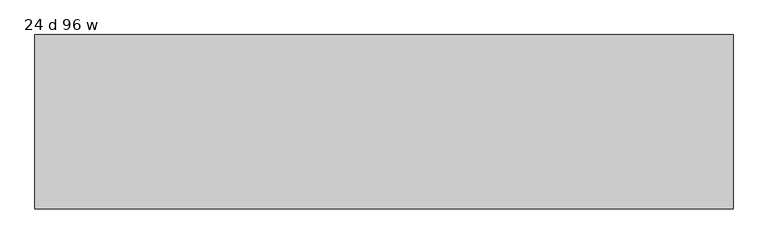
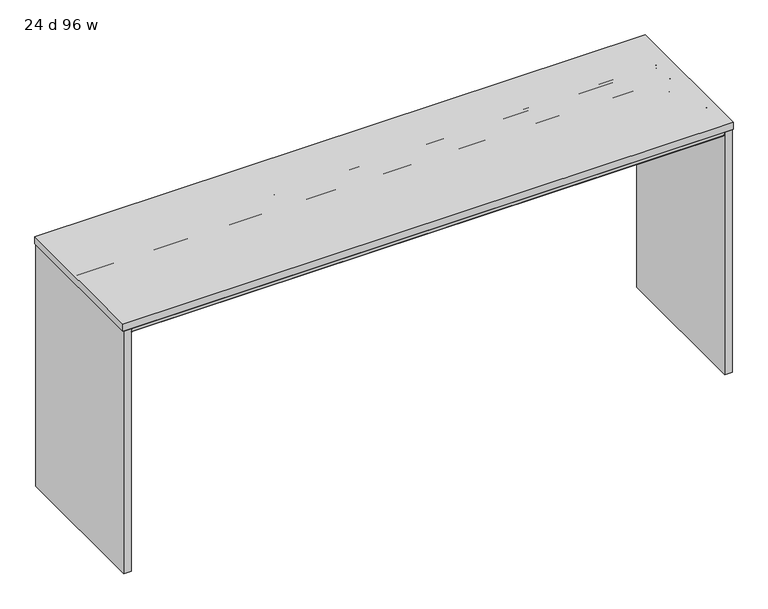
"""IFC4 building model written with IfcOpenShell, lengths in millimetres: furniture geometry, 24 d 96 w."""

from ifc_helpers import new_model, si_unit, frame, origin, place, context, project, spatial, polyline, circle_curve, outline, extrude, source, transform, mapped, element, save
from ifc_brep_helpers import plane_surface, cylinder_surface, revolved_surface, advanced_brep


def furniture_24_d_96_w_db0abe5f(model_context):
    return source(origin(), model_context, "Body", "SolidModel", [
        advanced_brep(
        [(-1185.1632694, -212.0387871, 1035.7451368), (-1185.1632694, -212.0387871, 1037.2344355), (-1185.1632694, -4.8775792, 1037.2344355), (-1185.1632694, -4.8775792, 1035.7451368), (-1185.1632694, -68.948793, 1035.7451368), (-1185.1632694, -69.7387884, 1034.9551414), (-1185.1632694, -69.7387884, 981.8251949), (-1185.1632694, -71.7487901, 979.8151932), (-1185.1632694, -142.7288099, 979.8151932), (-1185.1632694, -144.7387889, 981.8251722), (-1185.1632694, -144.7387889, 1034.9551324), (-1185.1632694, -145.5287934, 1035.7451368), (-1185.1632694, -148.7440004, 1035.7451368), (-1185.1632694, -148.7440004, 1034.8551476), (-1185.1632694, -164.751863, 1034.8551476), (-1185.1632694, -165.7440074, 1033.8630031), (-1185.1632694, -165.7440074, 1022.7701294), (-1185.1632694, -167.4239921, 1021.0901447), (-1185.1632694, -301.064018, 1021.0901447), (-1185.1632694, -302.7440027, 1022.7701294), (-1185.1632694, -302.7440027, 1035.2851358), (-1185.1632694, -300.7947031, 1037.2344355), (-1185.1632694, -282.7440062, 1037.2344355), (-1185.1632694, -282.7440062, 1035.7451368), (1185.1632694, -144.7387889, 1034.9551324), (1185.1632694, -144.7387889, 981.8251722), (1185.1632694, -142.7288099, 979.8151932), (1185.1632694, -71.7487901, 979.8151932), (1185.1632694, -69.7387884, 981.8251949), (1185.1632694, -69.7387884, 1034.9551414), (1185.1632694, -68.948793, 1035.7451368), (1185.1632694, -4.8775792, 1035.7451368), (1185.1632694, -4.8775792, 1037.2344355), (1185.1632694, -144.7387889, 1037.2344355), (1209.0077008, -145.5287934, 1035.7451368), (1209.0077008, -212.0387871, 1035.7451368), (1185.1632694, -212.0387871, 1035.7451368), (1185.1632694, -148.7440004, 1035.7451368), (1185.1632694, -145.5287934, 1035.7451368), (-1132.8233975, -144.7387889, 1034.9551324), (-1108.9789661, -144.7387889, 1034.9551324), (-1152.7087931, -4.8775792, 1035.7451368), (-1147.0323695, -7.2288302, 1035.7451368), (-1118.2978826, -35.9633064, 1035.7451368), (-1100.3373737, -43.4027908, 1035.7451368), (1100.3373737, -43.4027908, 1035.7451368), (1118.2978826, -35.9633064, 1035.7451368), (1147.0323695, -7.2288302, 1035.7451368), (1152.7087931, -4.8775792, 1035.7451368), (1209.0077008, -212.0387871, 1037.2344355), (1209.0077008, -144.7387889, 1037.2344355), (1152.7087931, -4.8775792, 1037.2344355), (1147.0323695, -7.2288302, 1037.2344355), (1118.2978826, -35.9633064, 1037.2344355), (1100.3373737, -43.4027908, 1037.2344355), (-1100.3373737, -43.4027908, 1037.2344355), (-1118.2978826, -35.9633064, 1037.2344355), (-1147.0323695, -7.2288302, 1037.2344355), (-1152.7087931, -4.8775792, 1037.2344355), (1209.0077008, -144.7387889, 1034.9551324), (1185.1632694, -167.4239921, 1021.0901447), (1185.1632694, -165.7440074, 1022.7701294), (1185.1632694, -165.7440074, 1033.8630031), (1185.1632694, -164.751863, 1034.8551476), (1185.1632694, -148.7440004, 1034.8551476), (1185.1632694, -282.7440062, 1035.7451368), (1185.1632694, -282.7440062, 1037.2344355), (1185.1632694, -300.7947031, 1037.2344355), (1185.1632694, -302.7440027, 1035.2851358), (1185.1632694, -302.7440027, 1022.7701294), (1185.1632694, -301.064018, 1021.0901447)],
        [
            (0, 1),
            (1, 2),
            (2, 3),
            (3, 4),
            (4, 5, circle_curve(frame((-1185.1632694, -68.948793, 1034.9551414), z_axis=(1.0, 0.0, 0.0), x_axis=(0.0, 1.0, 0.0)), 0.7899954)),
            (5, 6),
            (6, 7, circle_curve(frame((-1185.1632694, -71.7487901, 981.8251949), z_axis=(-1.0, 0.0, 0.0), x_axis=(0.0, 1.0, 0.0)), 2.0100018)),
            (7, 8),
            (8, 9, circle_curve(frame((-1185.1632694, -142.7288099, 981.8251722), z_axis=(-1.0, 0.0, 0.0), x_axis=(0.0, 1.0, 0.0)), 2.0099791)),
            (9, 10),
            (10, 11, circle_curve(frame((-1185.1632694, -145.5287934, 1034.9551324), z_axis=(1.0, 0.0, 0.0), x_axis=(0.0, 1.0, 0.0)), 0.7900045)),
            (11, 12),
            (12, 13),
            (13, 14),
            (14, 15, circle_curve(frame((-1185.1632694, -164.751863, 1033.8630031), z_axis=(1.0, 0.0, 0.0), x_axis=(0.0, 1.0, 0.0)), 0.9921444)),
            (15, 16),
            (16, 17, circle_curve(frame((-1185.1632694, -167.4239921, 1022.7701294), z_axis=(-1.0, 0.0, 0.0), x_axis=(0.0, 1.0, 0.0)), 1.6799847)),
            (17, 18),
            (18, 19, circle_curve(frame((-1185.1632694, -301.064018, 1022.7701294), z_axis=(-1.0, 0.0, 0.0), x_axis=(0.0, 1.0, 0.0)), 1.6799847)),
            (19, 20),
            (20, 21, circle_curve(frame((-1185.1632694, -300.7947031, 1035.2851358), z_axis=(-1.0, 0.0, 0.0), x_axis=(0.0, 1.0, 0.0)), 1.9492996)),
            (21, 22),
            (22, 23),
            (23, 0),
            (24, 25),
            (25, 26, circle_curve(frame((1185.1632694, -142.7288099, 981.8251722), z_axis=(1.0, 0.0, 0.0), x_axis=(0.0, 1.0, 0.0)), 2.0099791)),
            (26, 27),
            (27, 28, circle_curve(frame((1185.1632694, -71.7487901, 981.8251949), z_axis=(1.0, 0.0, 0.0), x_axis=(0.0, 1.0, 0.0)), 2.0100018)),
            (28, 29),
            (29, 30, circle_curve(frame((1185.1632694, -68.948793, 1034.9551414), z_axis=(-1.0, 0.0, 0.0), x_axis=(0.0, 1.0, 0.0)), 0.7899954)),
            (30, 31),
            (31, 32),
            (32, 33),
            (33, 24),
            (34, 35),
            (35, 36),
            (36, 37),
            (37, 12),
            (11, 38),
            (38, 34),
            (10, 39),
            (39, 40),
            (40, 24),
            (24, 38, circle_curve(frame((1185.1632694, -145.5287934, 1034.9551324), z_axis=(1.0, 0.0, 0.0), x_axis=(0.0, 1.0, 0.0)), 0.7900045)),
            (9, 25),
            (8, 26),
            (7, 27),
            (6, 28),
            (5, 29),
            (4, 30),
            (3, 41),
            (41, 42, circle_curve(frame((-1152.7087931, -12.905256, 1035.7451368), z_axis=(0.0, 0.0, -1.0), x_axis=(-1.0, 0.0, 0.0)), 8.0276768)),
            (42, 43),
            (43, 44, circle_curve(frame((-1100.3373737, -18.0027908, 1035.7451368), z_axis=(0.0, 0.0, 1.0), x_axis=(-1.0, 0.0, 0.0)), 25.4)),
            (44, 45),
            (45, 46, circle_curve(frame((1100.3373737, -18.0027908, 1035.7451368), z_axis=(0.0, 0.0, 1.0), x_axis=(-1.0, 0.0, 0.0)), 25.4)),
            (46, 47),
            (47, 48, circle_curve(frame((1152.7087931, -12.905256, 1035.7451368), z_axis=(0.0, 0.0, -1.0), x_axis=(-1.0, 0.0, 0.0)), 8.0276768)),
            (48, 31),
            (1, 49),
            (49, 50),
            (50, 33),
            (32, 51),
            (51, 52, circle_curve(frame((1152.7087931, -12.905256, 1037.2344355), z_axis=(0.0, 0.0, 1.0), x_axis=(-1.0, 0.0, 0.0)), 8.0276768)),
            (52, 53),
            (53, 54, circle_curve(frame((1100.3373737, -18.0027908, 1037.2344355), z_axis=(0.0, 0.0, -1.0), x_axis=(-1.0, 0.0, 0.0)), 25.4)),
            (54, 55),
            (55, 56, circle_curve(frame((-1100.3373737, -18.0027908, 1037.2344355), z_axis=(0.0, 0.0, -1.0), x_axis=(-1.0, 0.0, 0.0)), 25.4)),
            (56, 57),
            (57, 58, circle_curve(frame((-1152.7087931, -12.905256, 1037.2344355), z_axis=(0.0, 0.0, 1.0), x_axis=(-1.0, 0.0, 0.0)), 8.0276768)),
            (58, 2),
            (0, 36),
            (35, 49),
            (34, 59, circle_curve(frame((1209.0077008, -145.5287934, 1034.9551324), z_axis=(-1.0, 0.0, 0.0), x_axis=(0.0, 0.0, 1.0)), 0.7900045)),
            (59, 50),
            (24, 59),
            (60, 61, circle_curve(frame((1185.1632694, -167.4239921, 1022.7701294), z_axis=(1.0, 0.0, 0.0), x_axis=(0.0, 1.0, 0.0)), 1.6799847)),
            (61, 62),
            (62, 63, circle_curve(frame((1185.1632694, -164.751863, 1033.8630031), z_axis=(-1.0, 0.0, 0.0), x_axis=(0.0, 1.0, 0.0)), 0.9921444)),
            (63, 64),
            (64, 37),
            (36, 65),
            (65, 66),
            (66, 67),
            (67, 68, circle_curve(frame((1185.1632694, -300.7947031, 1035.2851358), z_axis=(1.0, 0.0, 0.0), x_axis=(0.0, 1.0, 0.0)), 1.9492996)),
            (68, 69),
            (69, 70, circle_curve(frame((1185.1632694, -301.064018, 1022.7701294), z_axis=(1.0, 0.0, 0.0), x_axis=(0.0, 1.0, 0.0)), 1.6799847)),
            (70, 60),
            (16, 61),
            (60, 17),
            (15, 62),
            (14, 63),
            (13, 64),
            (23, 65),
            (22, 66),
            (21, 67),
            (20, 68),
            (19, 69),
            (18, 70),
            (58, 41),
            (57, 42),
            (56, 43),
            (55, 44),
            (54, 45),
            (53, 46),
            (52, 47),
            (51, 48),
        ],
        [
            plane_surface(frame((-1185.1632694, -107.2388, 1037.2344355), z_axis=(-1.0, 0.0, 0.0), x_axis=(0.0, 0.0, 1.0))),
            plane_surface(frame((1185.1632694, -107.2388, 1037.2344355), z_axis=(1.0, 0.0, 0.0), x_axis=(0.0, 0.0, 1.0))),
            plane_surface(frame((-1185.1632694, -145.5287934, 1035.7451368), z_axis=(0.0, 0.0, -1.0), x_axis=(1.0, 0.0, 0.0))),
            revolved_surface(polyline([(1185.1632694, -144.7387889, 1034.9551324), (-1185.1632694, -144.7387889, 1034.9551324)]), (-1185.1632694, -145.5287934, 1034.9551324), (1.0, 0.0, 0.0)),
            plane_surface(frame((-1185.1632694, -144.7387889, 981.8251722), z_axis=(0.0, -1.0, 0.0), x_axis=(1.0, 0.0, 0.0))),
            cylinder_surface(frame((-1185.1632694, -142.7288099, 981.8251722), z_axis=(-1.0, 0.0, 0.0), x_axis=(0.0, 1.0, 0.0)), 2.0099791),
            plane_surface(frame((-1185.1632694, -71.7487901, 979.8151932), z_axis=(0.0, 0.0, -1.0), x_axis=(1.0, 0.0, 0.0))),
            cylinder_surface(frame((-1185.1632694, -71.7487901, 981.8251949), z_axis=(-1.0, 0.0, 0.0), x_axis=(0.0, 1.0, 0.0)), 2.0100018),
            plane_surface(frame((-1185.1632694, -69.7387884, 1034.9551414), z_axis=(0.0, 1.0, 0.0), x_axis=(1.0, 0.0, 0.0))),
            revolved_surface(polyline([(1185.1632694, -68.1587976, 1034.9551414), (-1185.1632694, -68.1587976, 1034.9551414)]), (-1185.1632694, -68.948793, 1034.9551414), (1.0, 0.0, 0.0)),
            plane_surface(frame((-1185.1632694, -2.4387896, 1035.7451368), z_axis=(0.0, 0.0, -1.0), x_axis=(1.0, 0.0, 0.0))),
            plane_surface(frame((-1185.1632694, -212.0387871, 1037.2344355), z_axis=(0.0, 0.0, 1.0), x_axis=(1.0, 0.0, 0.0))),
            plane_surface(frame((-1185.1632694, -212.0387871, 1035.7451368), z_axis=(0.0, -1.0, 0.0), x_axis=(1.0, 0.0, 0.0))),
            plane_surface(frame((1209.0077008, -212.0387871, 1037.2344355), z_axis=(1.0, 0.0, 0.0), x_axis=(0.0, 0.0, -1.0))),
            revolved_surface(polyline([(1185.1632694, -145.5287934, 1035.7451368999998), (1209.0077008, -145.5287934, 1035.7451368999998)]), (1185.1632694, -145.5287934, 1034.9551324), (-1.0, 0.0, 0.0)),
            plane_surface(frame((1209.0077008, -144.7387889, 1034.9551324), z_axis=(0.0, 1.0, 0.0), x_axis=(-1.0, 0.0, 0.0))),
            plane_surface(frame((1185.1632694, -304.8, 1037.2344355), z_axis=(1.0, 0.0, 0.0), x_axis=(0.0, 0.0, 1.0))),
            cylinder_surface(frame((-1185.1632694, -167.4239921, 1022.7701294), z_axis=(-1.0, 0.0, 0.0), x_axis=(0.0, 1.0, 0.0)), 1.6799847),
            plane_surface(frame((-1185.1632694, -165.7440074, 1033.8630031), z_axis=(0.0, 1.0, 0.0), x_axis=(1.0, 0.0, 0.0))),
            revolved_surface(polyline([(1185.1632694, -163.75971859999999, 1033.8630031), (-1185.1632694, -163.75971859999999, 1033.8630031)]), (-1185.1632694, -164.751863, 1033.8630031), (1.0, 0.0, 0.0)),
            plane_surface(frame((-1185.1632694, -148.7440004, 1034.8551476), z_axis=(0.0, 0.0, -1.0), x_axis=(1.0, 0.0, 0.0))),
            plane_surface(frame((-1185.1632694, -148.7440004, 1035.7451368), z_axis=(0.0, 1.0, 0.0), x_axis=(1.0, 0.0, 0.0))),
            plane_surface(frame((-1185.1632694, -282.7440062, 1035.7451368), z_axis=(0.0, 0.0, 1.0), x_axis=(1.0, 0.0, 0.0))),
            plane_surface(frame((-1185.1632694, -282.7440062, 1037.2344355), z_axis=(0.0, 1.0, 0.0), x_axis=(1.0, 0.0, 0.0))),
            plane_surface(frame((-1185.1632694, -300.7947031, 1037.2344355), z_axis=(0.0, 0.0, 1.0), x_axis=(1.0, 0.0, 0.0))),
            cylinder_surface(frame((-1185.1632694, -300.7947031, 1035.2851358), z_axis=(-1.0, 0.0, 0.0), x_axis=(0.0, 1.0, 0.0)), 1.9492996),
            plane_surface(frame((-1185.1632694, -302.7440027, 1022.7701294), z_axis=(0.0, -1.0, 0.0), x_axis=(1.0, 0.0, 0.0))),
            cylinder_surface(frame((-1185.1632694, -301.064018, 1022.7701294), z_axis=(-1.0, 0.0, 0.0), x_axis=(0.0, 1.0, 0.0)), 1.6799847),
            plane_surface(frame((-1185.1632694, -167.4239921, 1021.0901447), z_axis=(0.0, 0.0, -1.0), x_axis=(1.0, 0.0, 0.0))),
            plane_surface(frame((-1185.1632694, -4.8775792, 1037.2344355), z_axis=(0.0, 1.0, 0.0), x_axis=(0.0, 0.0, -1.0))),
            cylinder_surface(frame((-1152.7087931, -12.905256, 1021.0901447), z_axis=(0.0, 0.0, -1.0), x_axis=(-1.0, 0.0, 0.0)), 8.0276768),
            plane_surface(frame((-1147.0323695, -7.2288302, 1037.2344355), z_axis=(0.7071066495450254, 0.707106912828045, 0.0), x_axis=(0.0, 0.0, -1.0))),
            revolved_surface(polyline([(-1125.7373737, -18.0027908, 1037.2344355), (-1125.7373737, -18.0027908, 1035.7451368)]), (-1100.3373737, -18.0027908, 1021.0901447), (0.0, 0.0, 1.0)),
            plane_surface(frame((-1100.3373737, -43.4027908, 1037.2344355), z_axis=(0.0, 1.0, 0.0), x_axis=(0.0, 0.0, -1.0))),
            revolved_surface(polyline([(1074.9373736999999, -18.0027908, 1037.2344355), (1074.9373736999999, -18.0027908, 1035.7451368)]), (1100.3373737, -18.0027908, 1021.0901447), (0.0, 0.0, 1.0)),
            plane_surface(frame((1118.2978826, -35.9633064, 1037.2344355), z_axis=(-0.7071066495450172, 0.7071069128280535, 0.0), x_axis=(0.0, 0.0, -1.0))),
            cylinder_surface(frame((1152.7087931, -12.905256, 1021.0901447), z_axis=(0.0, 0.0, -1.0), x_axis=(-1.0, 0.0, 0.0)), 8.0276768),
            plane_surface(frame((1152.7087931, -4.8775792, 1037.2344355), z_axis=(0.0, 1.0, 0.0), x_axis=(0.0, 0.0, -1.0))),
        ],
        [
            (0, [[1, 2, 3, 4, 5, 6, 7, 8, 9, 10, 11, 12, 13, 14, 15, 16, 17, 18, 19, 20, 21, 22, 23, 24]]),
            (1, [[25, 26, 27, 28, 29, 30, 31, 32, 33, 34]]),
            (2, [[35, 36, 37, 38, -12, 39, 40]]),
            (3, [[-11, 41, 42, 43, 44, -39]]),
            (4, [[-10, 45, -25, -43, -42, -41]]),
            (5, [[-9, 46, -26, -45]]),
            (6, [[-8, 47, -27, -46]]),
            (7, [[-7, 48, -28, -47]]),
            (8, [[-6, 49, -29, -48]]),
            (9, [[-5, 50, -30, -49]]),
            (10, [[-50, -4, 51, 52, 53, 54, 55, 56, 57, 58, 59, -31]]),
            (11, [[-2, 60, 61, 62, -33, 63, 64, 65, 66, 67, 68, 69, 70, 71]]),
            (12, [[-1, 72, -36, 73, -60]]),
            (13, [[-73, -35, 74, 75, -61]]),
            (14, [[-74, -40, -44, 76]]),
            (15, [[-75, -76, -34, -62]]),
            (16, [[77, 78, 79, 80, 81, -37, 82, 83, 84, 85, 86, 87, 88]]),
            (17, [[-17, 89, -77, 90]]),
            (18, [[-16, 91, -78, -89]]),
            (19, [[-15, 92, -79, -91]]),
            (20, [[-14, 93, -80, -92]]),
            (21, [[-13, -38, -81, -93]]),
            (22, [[94, -82, -72, -24]]),
            (23, [[-23, 95, -83, -94]]),
            (24, [[-22, 96, -84, -95]]),
            (25, [[-21, 97, -85, -96]]),
            (26, [[-20, 98, -86, -97]]),
            (27, [[-19, 99, -87, -98]]),
            (28, [[-18, -90, -88, -99]]),
            (29, [[100, -51, -3, -71]]),
            (30, [[-100, -70, 101, -52]]),
            (31, [[-101, -69, 102, -53]]),
            (32, [[-102, -68, 103, -54]]),
            (33, [[-103, -67, 104, -55]]),
            (34, [[-104, -66, 105, -56]]),
            (35, [[-105, -65, 106, -57]]),
            (36, [[-106, -64, 107, -58]]),
            (37, [[-107, -63, -32, -59]]),
        ],
    ),
        advanced_brep(
        [(-1185.1632694, 145.5287934, 1035.7451368), (-1185.1632694, 144.7387889, 1034.9551324), (-1185.1632694, 144.7387889, 981.8251722), (-1185.1632694, 142.7288099, 979.8151932), (-1185.1632694, 71.7487901, 979.8151932), (-1185.1632694, 69.7387884, 981.8251949), (-1185.1632694, 69.7387884, 1034.9551414), (-1185.1632694, 68.948793, 1035.7451368), (-1185.1632694, 4.8775792, 1035.7451368), (-1185.1632694, 4.8775792, 1037.2344355), (-1185.1632694, 212.0387871, 1037.2344355), (-1185.1632694, 212.0387871, 1035.7451368), (-1185.1632694, 282.7440062, 1035.7451368), (-1185.1632694, 282.7440062, 1037.2344355), (-1185.1632694, 300.7947031, 1037.2344355), (-1185.1632694, 302.7440027, 1035.2851358), (-1185.1632694, 302.7440027, 1022.7701294), (-1185.1632694, 301.064018, 1021.0901447), (-1185.1632694, 167.4239921, 1021.0901447), (-1185.1632694, 165.7440074, 1022.7701294), (-1185.1632694, 165.7440074, 1033.8630031), (-1185.1632694, 164.751863, 1034.8551476), (-1185.1632694, 148.7440004, 1034.8551476), (-1185.1632694, 148.7440004, 1035.7451368), (1185.1632694, 68.948793, 1035.7451368), (1185.1632694, 69.7387884, 1034.9551414), (1185.1632694, 69.7387884, 981.8251949), (1185.1632694, 71.7487901, 979.8151932), (1185.1632694, 142.7288099, 979.8151932), (1185.1632694, 144.7387889, 981.8251722), (1185.1632694, 144.7387889, 1034.9551324), (1185.1632694, 144.7387889, 1037.2344355), (1185.1632694, 4.8775792, 1037.2344355), (1185.1632694, 4.8775792, 1035.7451368), (1209.0077008, 212.0387871, 1035.7451368), (1209.0077008, 145.5287934, 1035.7451368), (1185.1632694, 145.5287934, 1035.7451368), (1185.1632694, 148.7440004, 1035.7451368), (1185.1632694, 212.0387871, 1035.7451368), (-1108.9789661, 144.7387889, 1034.9551324), (-1132.8233975, 144.7387889, 1034.9551324), (1152.7087931, 4.8775792, 1035.7451368), (1147.0323695, 7.2288302, 1035.7451368), (1118.2978826, 35.9633064, 1035.7451368), (1100.3373737, 43.4027908, 1035.7451368), (-1100.3373737, 43.4027908, 1035.7451368), (-1118.2978826, 35.9633064, 1035.7451368), (-1147.0323695, 7.2288302, 1035.7451368), (-1152.7087931, 4.8775792, 1035.7451368), (-1152.7087931, 4.8775792, 1037.2344355), (-1147.0323695, 7.2288302, 1037.2344355), (-1118.2978826, 35.9633064, 1037.2344355), (-1100.3373737, 43.4027908, 1037.2344355), (1100.3373737, 43.4027908, 1037.2344355), (1118.2978826, 35.9633064, 1037.2344355), (1147.0323695, 7.2288302, 1037.2344355), (1152.7087931, 4.8775792, 1037.2344355), (1209.0077008, 144.7387889, 1037.2344355), (1209.0077008, 212.0387871, 1037.2344355), (1209.0077008, 144.7387889, 1034.9551324), (1185.1632694, 167.4239921, 1021.0901447), (1185.1632694, 301.064018, 1021.0901447), (1185.1632694, 302.7440027, 1022.7701294), (1185.1632694, 302.7440027, 1035.2851358), (1185.1632694, 300.7947031, 1037.2344355), (1185.1632694, 282.7440062, 1037.2344355), (1185.1632694, 282.7440062, 1035.7451368), (1185.1632694, 148.7440004, 1034.8551476), (1185.1632694, 164.751863, 1034.8551476), (1185.1632694, 165.7440074, 1033.8630031), (1185.1632694, 165.7440074, 1022.7701294)],
        [
            (0, 1, circle_curve(frame((-1185.1632694, 145.5287934, 1034.9551324), z_axis=(1.0, 0.0, 0.0), x_axis=(0.0, 1.0, 0.0)), 0.7900045)),
            (1, 2),
            (2, 3, circle_curve(frame((-1185.1632694, 142.7288099, 981.8251722), z_axis=(-1.0, 0.0, 0.0), x_axis=(0.0, 1.0, 0.0)), 2.0099791)),
            (3, 4),
            (4, 5, circle_curve(frame((-1185.1632694, 71.7487901, 981.8251949), z_axis=(-1.0, 0.0, 0.0), x_axis=(0.0, 1.0, 0.0)), 2.0100018)),
            (5, 6),
            (6, 7, circle_curve(frame((-1185.1632694, 68.948793, 1034.9551414), z_axis=(1.0, 0.0, 0.0), x_axis=(0.0, 1.0, 0.0)), 0.7899954)),
            (7, 8),
            (8, 9),
            (9, 10),
            (10, 11),
            (11, 12),
            (12, 13),
            (13, 14),
            (14, 15, circle_curve(frame((-1185.1632694, 300.7947031, 1035.2851358), z_axis=(-1.0, 0.0, 0.0), x_axis=(0.0, 1.0, 0.0)), 1.9492996)),
            (15, 16),
            (16, 17, circle_curve(frame((-1185.1632694, 301.064018, 1022.7701294), z_axis=(-1.0, 0.0, 0.0), x_axis=(0.0, 1.0, 0.0)), 1.6799847)),
            (17, 18),
            (18, 19, circle_curve(frame((-1185.1632694, 167.4239921, 1022.7701294), z_axis=(-1.0, 0.0, 0.0), x_axis=(0.0, 1.0, 0.0)), 1.6799847)),
            (19, 20),
            (20, 21, circle_curve(frame((-1185.1632694, 164.751863, 1033.8630031), z_axis=(1.0, 0.0, 0.0), x_axis=(0.0, 1.0, 0.0)), 0.9921444)),
            (21, 22),
            (22, 23),
            (23, 0),
            (24, 25, circle_curve(frame((1185.1632694, 68.948793, 1034.9551414), z_axis=(-1.0, 0.0, 0.0), x_axis=(0.0, 1.0, 0.0)), 0.7899954)),
            (25, 26),
            (26, 27, circle_curve(frame((1185.1632694, 71.7487901, 981.8251949), z_axis=(1.0, 0.0, 0.0), x_axis=(0.0, 1.0, 0.0)), 2.0100018)),
            (27, 28),
            (28, 29, circle_curve(frame((1185.1632694, 142.7288099, 981.8251722), z_axis=(1.0, 0.0, 0.0), x_axis=(0.0, 1.0, 0.0)), 2.0099791)),
            (29, 30),
            (30, 31),
            (31, 32),
            (32, 33),
            (33, 24),
            (34, 35),
            (35, 36),
            (36, 0),
            (23, 37),
            (37, 38),
            (38, 34),
            (36, 30, circle_curve(frame((1185.1632694, 145.5287934, 1034.9551324), z_axis=(1.0, 0.0, 0.0), x_axis=(0.0, 1.0, 0.0)), 0.7900045)),
            (30, 39),
            (39, 40),
            (40, 1),
            (29, 2),
            (28, 3),
            (27, 4),
            (26, 5),
            (25, 6),
            (24, 7),
            (33, 41),
            (41, 42, circle_curve(frame((1152.7087931, 12.905256, 1035.7451368), z_axis=(0.0, 0.0, -1.0), x_axis=(-1.0, 0.0, 0.0)), 8.0276768)),
            (42, 43),
            (43, 44, circle_curve(frame((1100.3373737, 18.0027908, 1035.7451368), z_axis=(0.0, 0.0, 1.0), x_axis=(-1.0, 0.0, 0.0)), 25.4)),
            (44, 45),
            (45, 46, circle_curve(frame((-1100.3373737, 18.0027908, 1035.7451368), z_axis=(0.0, 0.0, 1.0), x_axis=(-1.0, 0.0, 0.0)), 25.4)),
            (46, 47),
            (47, 48, circle_curve(frame((-1152.7087931, 12.905256, 1035.7451368), z_axis=(0.0, 0.0, -1.0), x_axis=(-1.0, 0.0, 0.0)), 8.0276768)),
            (48, 8),
            (9, 49),
            (49, 50, circle_curve(frame((-1152.7087931, 12.905256, 1037.2344355), z_axis=(0.0, 0.0, 1.0), x_axis=(-1.0, 0.0, 0.0)), 8.0276768)),
            (50, 51),
            (51, 52, circle_curve(frame((-1100.3373737, 18.0027908, 1037.2344355), z_axis=(0.0, 0.0, -1.0), x_axis=(-1.0, 0.0, 0.0)), 25.4)),
            (52, 53),
            (53, 54, circle_curve(frame((1100.3373737, 18.0027908, 1037.2344355), z_axis=(0.0, 0.0, -1.0), x_axis=(-1.0, 0.0, 0.0)), 25.4)),
            (54, 55),
            (55, 56, circle_curve(frame((1152.7087931, 12.905256, 1037.2344355), z_axis=(0.0, 0.0, 1.0), x_axis=(-1.0, 0.0, 0.0)), 8.0276768)),
            (56, 32),
            (31, 57),
            (57, 58),
            (58, 10),
            (58, 34),
            (38, 11),
            (57, 59),
            (59, 35, circle_curve(frame((1209.0077008, 145.5287934, 1034.9551324), z_axis=(-1.0, 0.0, 0.0), x_axis=(0.0, 0.0, 1.0)), 0.7900045)),
            (30, 59),
            (60, 61),
            (61, 62, circle_curve(frame((1185.1632694, 301.064018, 1022.7701294), z_axis=(1.0, 0.0, 0.0), x_axis=(0.0, 1.0, 0.0)), 1.6799847)),
            (62, 63),
            (63, 64, circle_curve(frame((1185.1632694, 300.7947031, 1035.2851358), z_axis=(1.0, 0.0, 0.0), x_axis=(0.0, 1.0, 0.0)), 1.9492996)),
            (64, 65),
            (65, 66),
            (66, 38),
            (37, 67),
            (67, 68),
            (68, 69, circle_curve(frame((1185.1632694, 164.751863, 1033.8630031), z_axis=(-1.0, 0.0, 0.0), x_axis=(0.0, 1.0, 0.0)), 0.9921444)),
            (69, 70),
            (70, 60, circle_curve(frame((1185.1632694, 167.4239921, 1022.7701294), z_axis=(1.0, 0.0, 0.0), x_axis=(0.0, 1.0, 0.0)), 1.6799847)),
            (18, 60),
            (70, 19),
            (69, 20),
            (68, 21),
            (67, 22),
            (66, 12),
            (65, 13),
            (64, 14),
            (63, 15),
            (62, 16),
            (61, 17),
            (56, 41),
            (55, 42),
            (54, 43),
            (53, 44),
            (52, 45),
            (51, 46),
            (50, 47),
            (49, 48),
        ],
        [
            plane_surface(frame((-1185.1632694, 107.2388, 1037.2344355), z_axis=(-1.0, 0.0, 0.0), x_axis=(0.0, 0.0, 1.0))),
            plane_surface(frame((1185.1632694, 107.2388, 1037.2344355), z_axis=(1.0, 0.0, 0.0), x_axis=(0.0, 0.0, 1.0))),
            plane_surface(frame((-1185.1632694, 212.0387871, 1035.7451368), z_axis=(0.0, 0.0, -1.0), x_axis=(1.0, 0.0, 0.0))),
            revolved_surface(polyline([(1185.1632694, 146.31879790000002, 1034.9551324), (-1185.1632694, 146.31879790000002, 1034.9551324)]), (-1185.1632694, 145.5287934, 1034.9551324), (1.0, 0.0, 0.0)),
            plane_surface(frame((-1185.1632694, 144.7387889, 1034.9551324), z_axis=(0.0, 1.0, 0.0), x_axis=(1.0, 0.0, 0.0))),
            cylinder_surface(frame((-1185.1632694, 142.7288099, 981.8251722), z_axis=(-1.0, 0.0, 0.0), x_axis=(0.0, 1.0, 0.0)), 2.0099791),
            plane_surface(frame((-1185.1632694, 142.7288099, 979.8151932), z_axis=(0.0, 0.0, -1.0), x_axis=(1.0, 0.0, 0.0))),
            cylinder_surface(frame((-1185.1632694, 71.7487901, 981.8251949), z_axis=(-1.0, 0.0, 0.0), x_axis=(0.0, 1.0, 0.0)), 2.0100018),
            plane_surface(frame((-1185.1632694, 69.7387884, 981.8251949), z_axis=(0.0, -1.0, 0.0), x_axis=(1.0, 0.0, 0.0))),
            revolved_surface(polyline([(1185.1632694, 69.73878839999999, 1034.9551414), (-1185.1632694, 69.73878839999999, 1034.9551414)]), (-1185.1632694, 68.948793, 1034.9551414), (1.0, 0.0, 0.0)),
            plane_surface(frame((-1185.1632694, 68.948793, 1035.7451368), z_axis=(0.0, 0.0, -1.0), x_axis=(1.0, 0.0, 0.0))),
            plane_surface(frame((-1185.1632694, 2.4387896, 1037.2344355), z_axis=(0.0, 0.0, 1.0), x_axis=(1.0, 0.0, 0.0))),
            plane_surface(frame((-1185.1632694, 212.0387871, 1037.2344355), z_axis=(0.0, 1.0, 0.0), x_axis=(1.0, 0.0, 0.0))),
            plane_surface(frame((1209.0077008, -212.0387871, 1037.2344355), z_axis=(1.0, 0.0, 0.0), x_axis=(0.0, 0.0, -1.0))),
            plane_surface(frame((1209.0077008, 144.7387889, 1037.2344355), z_axis=(0.0, -1.0, 0.0), x_axis=(-1.0, 0.0, 0.0))),
            revolved_surface(polyline([(1185.1632694, 145.5287934, 1035.7451368999998), (1209.0077008, 145.5287934, 1035.7451368999998)]), (1185.1632694, 145.5287934, 1034.9551324), (-1.0, 0.0, 0.0)),
            plane_surface(frame((1185.1632694, 304.8, 1037.2344355), z_axis=(1.0, 0.0, 0.0), x_axis=(0.0, 0.0, 1.0))),
            cylinder_surface(frame((-1185.1632694, 167.4239921, 1022.7701294), z_axis=(-1.0, 0.0, 0.0), x_axis=(0.0, 1.0, 0.0)), 1.6799847),
            plane_surface(frame((-1185.1632694, 165.7440074, 1022.7701294), z_axis=(0.0, -1.0, 0.0), x_axis=(1.0, 0.0, 0.0))),
            revolved_surface(polyline([(1185.1632694, 165.7440074, 1033.8630031), (-1185.1632694, 165.7440074, 1033.8630031)]), (-1185.1632694, 164.751863, 1033.8630031), (1.0, 0.0, 0.0)),
            plane_surface(frame((-1185.1632694, 164.751863, 1034.8551476), z_axis=(0.0, 0.0, -1.0), x_axis=(1.0, 0.0, 0.0))),
            plane_surface(frame((-1185.1632694, 148.7440004, 1034.8551476), z_axis=(0.0, -1.0, 0.0), x_axis=(1.0, 0.0, 0.0))),
            plane_surface(frame((-1185.1632694, 148.7440004, 1035.7451368), z_axis=(0.0, 0.0, 1.0), x_axis=(1.0, 0.0, 0.0))),
            plane_surface(frame((-1185.1632694, 282.7440062, 1035.7451368), z_axis=(0.0, -1.0, 0.0), x_axis=(1.0, 0.0, 0.0))),
            plane_surface(frame((-1185.1632694, 282.7440062, 1037.2344355), z_axis=(0.0, 0.0, 1.0), x_axis=(1.0, 0.0, 0.0))),
            cylinder_surface(frame((-1185.1632694, 300.7947031, 1035.2851358), z_axis=(-1.0, 0.0, 0.0), x_axis=(0.0, 1.0, 0.0)), 1.9492996),
            plane_surface(frame((-1185.1632694, 302.7440027, 1035.2851358), z_axis=(0.0, 1.0, 0.0), x_axis=(1.0, 0.0, 0.0))),
            cylinder_surface(frame((-1185.1632694, 301.064018, 1022.7701294), z_axis=(-1.0, 0.0, 0.0), x_axis=(0.0, 1.0, 0.0)), 1.6799847),
            plane_surface(frame((-1185.1632694, 301.064018, 1021.0901447), z_axis=(0.0, 0.0, -1.0), x_axis=(1.0, 0.0, 0.0))),
            plane_surface(frame((1185.1632694, 4.8775792, 1037.2344355), z_axis=(0.0, -1.0, 0.0), x_axis=(0.0, 0.0, -1.0))),
            cylinder_surface(frame((1152.7087931, 12.905256, 1021.0901447), z_axis=(0.0, 0.0, -1.0), x_axis=(-1.0, 0.0, 0.0)), 8.0276768),
            plane_surface(frame((1147.0323695, 7.2288302, 1037.2344355), z_axis=(-0.7071066495449122, -0.7071069128281583, 0.0), x_axis=(0.0, 0.0, -1.0))),
            revolved_surface(polyline([(1074.9373736999999, 18.0027908, 1037.2344355), (1074.9373736999999, 18.0027908, 1035.7451368)]), (1100.3373737, 18.0027908, 1021.0901447), (0.0, 0.0, 1.0)),
            plane_surface(frame((1100.3373737, 43.4027908, 1037.2344355), z_axis=(0.0, -1.0, 0.0), x_axis=(0.0, 0.0, -1.0))),
            revolved_surface(polyline([(-1125.7373737, 18.0027908, 1037.2344355), (-1125.7373737, 18.0027908, 1035.7451368)]), (-1100.3373737, 18.0027908, 1021.0901447), (0.0, 0.0, 1.0)),
            plane_surface(frame((-1118.2978826, 35.9633064, 1037.2344355), z_axis=(0.7071066495450035, -0.7071069128280671, 0.0), x_axis=(0.0, 0.0, -1.0))),
            cylinder_surface(frame((-1152.7087931, 12.905256, 1021.0901447), z_axis=(0.0, 0.0, -1.0), x_axis=(-1.0, 0.0, 0.0)), 8.0276768),
            plane_surface(frame((-1152.7087931, 4.8775792, 1037.2344355), z_axis=(0.0, -1.0, 0.0), x_axis=(0.0, 0.0, -1.0))),
        ],
        [
            (0, [[1, 2, 3, 4, 5, 6, 7, 8, 9, 10, 11, 12, 13, 14, 15, 16, 17, 18, 19, 20, 21, 22, 23, 24]]),
            (1, [[25, 26, 27, 28, 29, 30, 31, 32, 33, 34]]),
            (2, [[35, 36, 37, -24, 38, 39, 40]]),
            (3, [[-1, -37, 41, 42, 43, 44]]),
            (4, [[-2, -44, -43, -42, -30, 45]]),
            (5, [[-3, -45, -29, 46]]),
            (6, [[-4, -46, -28, 47]]),
            (7, [[-5, -47, -27, 48]]),
            (8, [[-6, -48, -26, 49]]),
            (9, [[-7, -49, -25, 50]]),
            (10, [[-50, -34, 51, 52, 53, 54, 55, 56, 57, 58, 59, -8]]),
            (11, [[-10, 60, 61, 62, 63, 64, 65, 66, 67, 68, -32, 69, 70, 71]]),
            (12, [[-11, -71, 72, -40, 73]]),
            (13, [[74, 75, -35, -72, -70]]),
            (14, [[-74, -69, -31, 76]]),
            (15, [[-75, -76, -41, -36]]),
            (16, [[77, 78, 79, 80, 81, 82, 83, -39, 84, 85, 86, 87, 88]]),
            (17, [[-19, 89, -88, 90]]),
            (18, [[-20, -90, -87, 91]]),
            (19, [[-21, -91, -86, 92]]),
            (20, [[-22, -92, -85, 93]]),
            (21, [[-23, -93, -84, -38]]),
            (22, [[94, -12, -73, -83]]),
            (23, [[-13, -94, -82, 95]]),
            (24, [[-14, -95, -81, 96]]),
            (25, [[-15, -96, -80, 97]]),
            (26, [[-16, -97, -79, 98]]),
            (27, [[-17, -98, -78, 99]]),
            (28, [[-18, -99, -77, -89]]),
            (29, [[100, -51, -33, -68]]),
            (30, [[-100, -67, 101, -52]]),
            (31, [[-101, -66, 102, -53]]),
            (32, [[-102, -65, 103, -54]]),
            (33, [[-103, -64, 104, -55]]),
            (34, [[-104, -63, 105, -56]]),
            (35, [[-105, -62, 106, -57]]),
            (36, [[-106, -61, 107, -58]]),
            (37, [[-107, -60, -9, -59]]),
        ],
    ),
        extrude(outline(polyline([(-1185.1632694, 304.8), (-1185.1632694, -304.8), (-1216.7098177, -304.8), (-1216.7098177, 304.8), (-1185.1632694, 304.8)])), frame((0.0, 0.0, 12.2237497), z_axis=(0.0, 0.0, 1.0), x_axis=(1.0, 0.0, 0.0)), (0.0, 0.0, 1.0), 1025.0106858),
        extrude(outline(polyline([(1185.1632694, 304.8), (1216.7098177, 304.8), (1216.7098177, -304.8), (1185.1632694, -304.8), (1185.1632694, 304.8)])), frame((0.0, 0.0, 12.2237497), z_axis=(0.0, 0.0, 1.0), x_axis=(1.0, 0.0, 0.0)), (0.0, 0.0, 1.0), 1025.0106858),
        extrude(outline(polyline([(1219.2, 304.8), (1219.2, -304.8), (-1219.2, -304.8), (-1219.2, 304.8), (1219.2, 304.8)])), frame((0.0, 0.0, 1037.2344355), z_axis=(0.0, 0.0, 1.0), x_axis=(1.0, 0.0, 0.0)), (0.0, 0.0, 1.0), 29.5655645),
    ])


if __name__ == "__main__":
    model = new_model("IFC4")
    model_context = context("Model", 3, world=origin())
    ifc_project = project(units=[si_unit("LENGTHUNIT", "METRE", prefix="MILLI")], contexts=[model_context])
    site = spatial("IfcSite", under=ifc_project)
    building = spatial("IfcBuilding", under=site)
    placement = place(None, origin())
    furniture_24_d_96_w_shape = furniture_24_d_96_w_db0abe5f(model_context)
    element("IfcFurniture", 1, ObjectType="24 d 96 w", at=placement, inside=building, context=model_context, shape_type="MappedRepresentation", body=[
        mapped(furniture_24_d_96_w_shape, transform((0.0, 0.0, 0.0), x_axis=(1.0, 0.0, 0.0), y_axis=(0.0, 1.0, 0.0), z_axis=(0.0, 0.0, 1.0))),
    ])
    save(model, "model.ifc")
